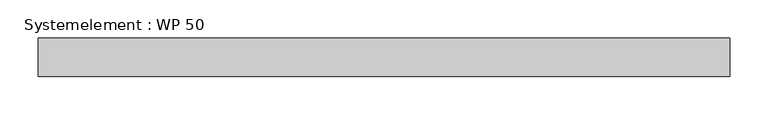
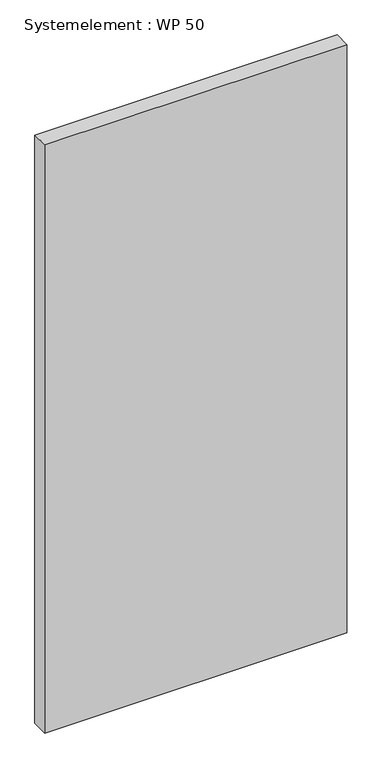
"""IFC4 building model written with IfcOpenShell, lengths in millimetres: plate geometry, Systemelement : WP 50."""

from ifc_helpers import new_model, si_unit, origin, origin_with_axes, place, context, project, spatial, polyline, outline, extrude, source, transform, mapped, element, save


def systemelement_wp_50_ac24148f(model_context):
    return source(origin(), model_context, "Body", "SweptSolid", [
        extrude(outline(polyline([(450.0, -50.0), (-450.0, -50.0), (-450.0, 0.0), (450.0, 0.0), (450.0, -50.0)])), origin_with_axes(), (0.0, 0.0, 1.0), 1851.6147161),
    ])


if __name__ == "__main__":
    model = new_model("IFC4")
    model_context = context("Model", 3, world=origin())
    ifc_project = project(units=[si_unit("LENGTHUNIT", "METRE", prefix="MILLI")], contexts=[model_context])
    site = spatial("IfcSite", under=ifc_project)
    building = spatial("IfcBuilding", under=site)
    placement = place(None, origin())
    systemelement_wp_50_shape = systemelement_wp_50_ac24148f(model_context)
    element("IfcPlate", 1, ObjectType="Systemelement : WP 50", at=placement, inside=building, context=model_context, shape_type="MappedRepresentation", body=[
        mapped(systemelement_wp_50_shape, transform((0.0, 0.0, 0.0), x_axis=(1.0, 0.0, 0.0), y_axis=(0.0, 1.0, 0.0), z_axis=(0.0, 0.0, 1.0))),
    ])
    save(model, "model.ifc")
